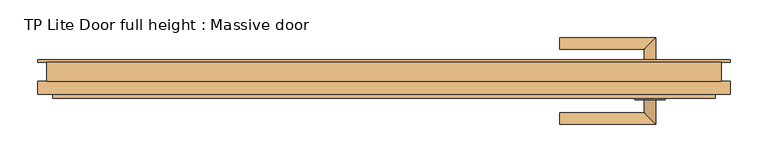
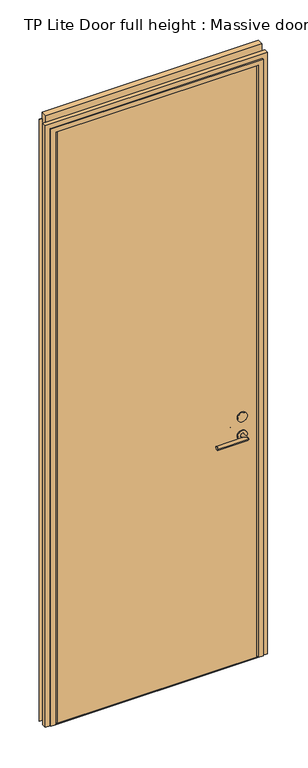
"""IFC4 building model written with IfcOpenShell, lengths in millimetres: door geometry, TP Lite Door full height : Massive door."""

from ifc_helpers import new_model, si_unit, point, frame, frame_2d, origin, origin_with_axes, place, context, project, spatial, polyline, circle_curve, ellipse_curve, trimmed, segment, composite_curve, outline, extrude, faceted_brep, source, transform, mapped, element, save
from ifc_brep_helpers import plane_surface, cylinder_surface, advanced_brep


def tp_lite_door_full_height_massive_door_3af0cf7a(model_context):
    return source(origin(), model_context, "Body", "SolidModel", [
        extrude(outline(composite_curve([segment(trimmed(circle_curve(frame_2d((1080.0, 354.0)), 20.0), [point((1080.0, 374.0))], [point((1080.0, 334.0))], False, "CARTESIAN"), True, "CONTINUOUS"), segment(trimmed(circle_curve(frame_2d((1080.0, 354.0)), 20.0), [point((1080.0, 334.0))], [point((1080.0, 374.0))], False, "CARTESIAN"), True, "CONTINUOUS")], self_intersect=False)), frame((0.0, 8.0, 0.0), z_axis=(0.0, 1.0, 0.0), x_axis=(0.0, 0.0, 1.0)), (0.0, 0.0, 1.0), 5.0),
        extrude(outline(composite_curve([segment(trimmed(circle_curve(frame_2d((1080.0, 354.0)), 20.0), [point((1080.0, 374.0))], [point((1080.0, 334.0))], False, "CARTESIAN"), True, "CONTINUOUS"), segment(trimmed(circle_curve(frame_2d((1080.0, 354.0)), 20.0), [point((1080.0, 334.0))], [point((1080.0, 374.0))], False, "CARTESIAN"), True, "CONTINUOUS")], self_intersect=False)), frame((0.0, -37.0, 0.0), z_axis=(0.0, 1.0, 0.0), x_axis=(0.0, 0.0, 1.0)), (0.0, 0.0, 1.0), 5.0),
        extrude(outline(composite_curve([segment(trimmed(circle_curve(frame_2d((1000.0, 354.0)), 20.0), [point((1000.0, 374.0))], [point((1000.0, 334.0))], False, "CARTESIAN"), True, "CONTINUOUS"), segment(trimmed(circle_curve(frame_2d((1000.0, 354.0)), 20.0), [point((1000.0, 334.0))], [point((1000.0, 374.0))], False, "CARTESIAN"), True, "CONTINUOUS")], self_intersect=False), holes=[composite_curve([segment(trimmed(circle_curve(frame_2d((1000.0, 354.0)), 7.5), [point((1000.0, 361.5))], [point((1000.0, 346.5))], True, "CARTESIAN"), True, "CONTINUOUS"), segment(trimmed(circle_curve(frame_2d((1000.0, 354.0)), 7.5), [point((1000.0, 346.5))], [point((1000.0, 361.5))], True, "CARTESIAN"), True, "CONTINUOUS")], self_intersect=False)]), frame((0.0, -37.0, 0.0), z_axis=(0.0, 1.0, 0.0), x_axis=(0.0, 0.0, 1.0)), (0.0, 0.0, 1.0), 5.0),
        extrude(outline(composite_curve([segment(trimmed(circle_curve(frame_2d((1000.0, 354.0)), 20.0), [point((1000.0, 374.0))], [point((1000.0, 334.0))], False, "CARTESIAN"), True, "CONTINUOUS"), segment(trimmed(circle_curve(frame_2d((1000.0, 354.0)), 20.0), [point((1000.0, 334.0))], [point((1000.0, 374.0))], False, "CARTESIAN"), True, "CONTINUOUS")], self_intersect=False), holes=[composite_curve([segment(trimmed(circle_curve(frame_2d((1000.0, 354.0)), 7.5), [point((1000.0, 361.5))], [point((1000.0, 346.5))], True, "CARTESIAN"), True, "CONTINUOUS"), segment(trimmed(circle_curve(frame_2d((1000.0, 354.0)), 7.5), [point((1000.0, 346.5))], [point((1000.0, 361.5))], True, "CARTESIAN"), True, "CONTINUOUS")], self_intersect=False)]), frame((0.0, 8.0, 0.0), z_axis=(0.0, 1.0, 0.0), x_axis=(0.0, 0.0, 1.0)), (0.0, 0.0, 1.0), 5.0),
        advanced_brep(
        [(361.5, 8.0, 1000.0), (346.5, 8.0, 1000.0), (361.5, 45.5, 1000.0), (346.5, 30.5, 1000.0), (234.0, 45.5, 1000.0), (234.0, 30.5, 1000.0)],
        [
            (0, 1, circle_curve(frame((354.0, 8.0, 1000.0), z_axis=(0.0, -1.0, 0.0), x_axis=(-1.0, 0.0, 0.0)), 7.5)),
            (1, 0, circle_curve(frame((354.0, 8.0, 1000.0), z_axis=(0.0, -1.0, 0.0), x_axis=(-1.0, 0.0, 0.0)), 7.5)),
            (0, 2),
            (2, 3, ellipse_curve(frame((354.0, 38.0, 1000.0), z_axis=(0.7071067811865475, -0.7071067811865475, 0.0), x_axis=(-0.7071067811865474, -0.7071067811865476, 0.0)), 10.6066017, 7.5)),
            (3, 1),
            (3, 2, ellipse_curve(frame((354.0, 38.0, 1000.0), z_axis=(0.7071067811865475, -0.7071067811865475, 0.0), x_axis=(-0.7071067811865474, -0.7071067811865476, 0.0)), 10.6066017, 7.5)),
            (4, 5, circle_curve(frame((234.0, 38.0, 1000.0), z_axis=(-1.0, 0.0, 0.0), x_axis=(0.0, -1.0, 0.0)), 7.5)),
            (5, 4, circle_curve(frame((234.0, 38.0, 1000.0), z_axis=(-1.0, 0.0, 0.0), x_axis=(0.0, -1.0, 0.0)), 7.5)),
            (2, 4),
            (5, 3),
        ],
        [
            plane_surface(frame((354.0, 8.0, 1000.0), z_axis=(0.0, -1.0, 0.0), x_axis=(0.0, 0.0, 1.0))),
            cylinder_surface(frame((354.0, 8.0, 1000.0), z_axis=(0.0, -1.0, 0.0), x_axis=(-1.0, 0.0, 0.0)), 7.5),
            plane_surface(frame((234.0, 38.0, 1000.0), z_axis=(-1.0, 0.0, 0.0), x_axis=(0.0, 0.0, 1.0))),
            cylinder_surface(frame((354.0, 38.0, 1000.0), z_axis=(1.0, 0.0, 0.0), x_axis=(0.0, -1.0, 0.0)), 7.5),
        ],
        [
            (0, [[1, 2]]),
            (1, [[-1, 3, 4, 5]]),
            (1, [[-2, -5, 6, -3]]),
            (2, [[7, 8]]),
            (3, [[-4, 9, -8, 10]]),
            (3, [[-6, -10, -7, -9]]),
        ],
    ),
        advanced_brep(
        [(346.5, -32.0, 1000.0), (361.5, -32.0, 1000.0), (346.5, -54.5, 1000.0), (361.5, -69.5, 1000.0), (234.0, -54.5, 1000.0), (234.0, -69.5, 1000.0)],
        [
            (0, 1, circle_curve(frame((354.0, -32.0, 1000.0), z_axis=(0.0, 1.0, 0.0), x_axis=(1.0, 0.0, 0.0)), 7.5)),
            (1, 0, circle_curve(frame((354.0, -32.0, 1000.0), z_axis=(0.0, 1.0, 0.0), x_axis=(1.0, 0.0, 0.0)), 7.5)),
            (0, 2),
            (2, 3, ellipse_curve(frame((354.0, -62.0, 1000.0), z_axis=(0.7071067811865475, 0.7071067811865475, 0.0), x_axis=(-0.7071067811865474, 0.7071067811865476, 0.0)), 10.6066017, 7.5)),
            (3, 1),
            (3, 2, ellipse_curve(frame((354.0, -62.0, 1000.0), z_axis=(0.7071067811865475, 0.7071067811865475, 0.0), x_axis=(-0.7071067811865474, 0.7071067811865476, 0.0)), 10.6066017, 7.5)),
            (4, 5, circle_curve(frame((234.0, -62.0, 1000.0), z_axis=(-1.0, 0.0, 0.0), x_axis=(0.0, -1.0, 0.0)), 7.5)),
            (5, 4, circle_curve(frame((234.0, -62.0, 1000.0), z_axis=(-1.0, 0.0, 0.0), x_axis=(0.0, -1.0, 0.0)), 7.5)),
            (2, 4),
            (5, 3),
        ],
        [
            plane_surface(frame((354.0, -32.0, 1000.0), z_axis=(0.0, 1.0, 0.0), x_axis=(0.0, 0.0, 1.0))),
            cylinder_surface(frame((354.0, -32.0, 1000.0), z_axis=(0.0, 1.0, 0.0), x_axis=(1.0, 0.0, 0.0)), 7.5),
            plane_surface(frame((234.0, -62.0, 1000.0), z_axis=(-1.0, 0.0, 0.0), x_axis=(0.0, 0.0, 1.0))),
            cylinder_surface(frame((354.0, -62.0, 1000.0), z_axis=(1.0, 0.0, 0.0), x_axis=(0.0, -1.0, 0.0)), 7.5),
        ],
        [
            (0, [[1, 2]]),
            (1, [[-1, 3, 4, 5]]),
            (1, [[-2, -5, 6, -3]]),
            (2, [[7, 8]]),
            (3, [[-4, 9, -8, 10]]),
            (3, [[-6, -10, -7, -9]]),
        ],
    ),
        faceted_brep([(-409.0, 16.0, 0.0), (-409.0, 9.0, 0.0), (-421.0, 9.0, 0.0), (-421.0, -35.0, 0.0), (-441.0, -35.0, 0.0), (-441.0, -30.0, 0.0), (-461.0, -30.0, 0.0), (-461.0, -12.5, 0.0), (-441.0, -12.5, 0.0), (-441.0, 13.0, 0.0), (-461.0, 13.0, 0.0), (-461.0, 16.0, 0.0), (-409.0, 9.0, 2588.0000007), (-409.0, 16.0, 2588.0000007), (-441.0, 13.0, 2620.0000007), (-441.0, -12.5, 2620.0000007), (-441.0, -30.0, 2620.0000007), (-441.0, -35.0, 2620.0000007), (-421.0, -35.0, 2600.0000007), (-421.0, 9.0, 2600.0000007), (409.0, 16.0, 0.0), (461.0, 16.0, 0.0), (461.0, 13.0, 0.0), (441.0, 13.0, 0.0), (441.0, -12.5, 0.0), (461.0, -12.5, 0.0), (461.0, -30.0, 0.0), (441.0, -30.0, 0.0), (441.0, -35.0, 0.0), (421.0, -35.0, 0.0), (421.0, 9.0, 0.0), (409.0, 9.0, 0.0), (409.0, 9.0, 2588.0000007), (409.0, 16.0, 2588.0000007), (421.0, 9.0, 2600.0000007), (421.0, -35.0, 2600.0000007), (441.0, -35.0, 2620.0000007), (441.0, -30.0, 2620.0000007), (461.0, -30.0, 2640.0000007), (-461.0, -30.0, 2640.0000007), (461.0, -12.5, 2640.0000007), (441.0, -12.5, 2620.0000007), (-461.0, -12.5, 2640.0000007), (441.0, 13.0, 2620.0000007), (461.0, 13.0, 2640.0000007), (-461.0, 13.0, 2640.0000007), (461.0, 16.0, 2640.0000007), (-461.0, 16.0, 2640.0000007)], [[[0, 1, 2, 3, 4, 5, 6, 7, 8, 9, 10, 11]], [[12, 1, 0, 13]], [[14, 9, 8, 15]], [[16, 5, 4, 17]], [[18, 3, 2, 19]], [[20, 21, 22, 23, 24, 25, 26, 27, 28, 29, 30, 31]], [[31, 32, 33, 20]], [[30, 34, 19, 2, 1, 12, 32, 31]], [[29, 35, 34, 30]], [[28, 36, 17, 4, 3, 18, 35, 29]], [[27, 37, 36, 28]], [[26, 38, 39, 6, 5, 16, 37, 27]], [[25, 40, 38, 26]], [[24, 41, 15, 8, 7, 42, 40, 25]], [[23, 43, 41, 24]], [[22, 44, 45, 10, 9, 14, 43, 23]], [[21, 46, 44, 22]], [[20, 33, 13, 0, 11, 47, 46, 21]], [[47, 11, 10, 45]], [[42, 7, 6, 39]], [[46, 47, 45, 44]], [[35, 18, 19, 34]], [[32, 12, 13, 33]], [[37, 16, 17, 36]], [[40, 42, 39, 38]], [[43, 14, 15, 41]]]),
        extrude(outline(polyline([(-414.0, 8.0), (414.0, 8.0), (414.0, -32.0), (-414.0, -32.0), (-414.0, 8.0)])), origin_with_axes(), (0.0, 0.0, 1.0), 2600.0000007),
        extrude(outline(polyline([(421.0, -35.0), (-421.0, -35.0), (-421.0, 9.0), (-409.0, 9.0), (-409.0, 16.0), (409.0, 16.0), (409.0, 9.0), (421.0, 9.0), (421.0, -35.0)])), origin_with_axes(), (0.0, 0.0, 1.0), 2.0),
        extrude(outline(polyline([(-449.0, 12.5), (449.0, 12.5), (449.0, -12.5), (-449.0, -12.5), (-449.0, 12.5)])), frame((0.0, 0.0, 2628.0000007), z_axis=(0.0, 0.0, 1.0), x_axis=(1.0, 0.0, 0.0)), (0.0, 0.0, 1.0), 42.0),
    ])


if __name__ == "__main__":
    model = new_model("IFC4")
    model_context = context("Model", 3, world=origin())
    ifc_project = project(units=[si_unit("LENGTHUNIT", "METRE", prefix="MILLI")], contexts=[model_context])
    site = spatial("IfcSite", under=ifc_project)
    building = spatial("IfcBuilding", under=site)
    placement = place(None, origin())
    tp_lite_door_full_height_massive_door_shape = tp_lite_door_full_height_massive_door_3af0cf7a(model_context)
    element("IfcDoor", 1, ObjectType="TP Lite Door full height : Massive door", at=placement, inside=building, context=model_context, shape_type="MappedRepresentation", body=[
        mapped(tp_lite_door_full_height_massive_door_shape, transform((0.0, 0.0, 0.0), x_axis=(1.0, 0.0, 0.0), y_axis=(0.0, 1.0, 0.0), z_axis=(0.0, 0.0, 1.0))),
    ])
    save(model, "model.ifc")
